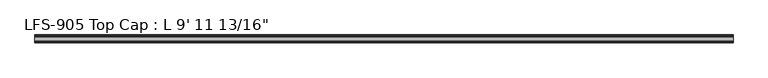
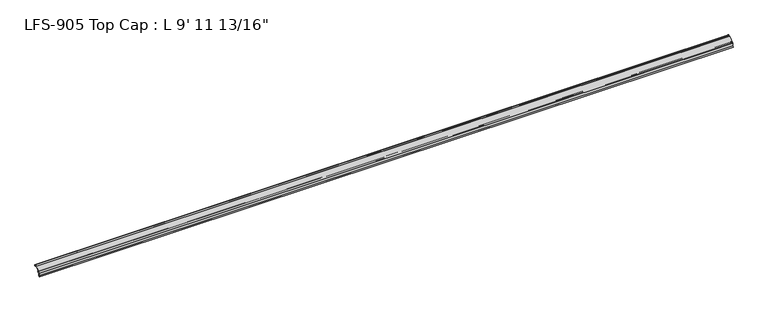
"""IFC4 building model written with IfcOpenShell, lengths in millimetres: proxy geometry."""

from ifc_helpers import new_model, si_unit, frame, origin, place, context, project, spatial, polyline, circle_curve, source, transform, mapped, element, save
from ifc_brep_helpers import plane_surface, cylinder_surface, revolved_surface, advanced_brep


def proxy_23267bd3(model_context):
    return source(origin(), model_context, "Body", "AdvancedBrep", [
        advanced_brep(
        [(3043.2375, -11.9842063, -4.7908498), (3043.2375, -11.285332, -4.0919755), (3043.2375, -10.4181218, -4.4511858), (3043.2375, -10.0845373, -5.4848681), (3043.2375, -8.8306218, -4.8356596), (3043.2375, -8.8306218, -2.8545037), (3043.2375, -6.319747, -2.2238726), (3043.2375, -6.162328, -3.1153995), (3043.2375, -4.5467242, -3.078236), (3043.2375, -6.0988312, -0.2880269), (3043.2375, -6.2733116, 0.9200448), (3043.2375, 6.6291755, 13.822532), (3043.2375, 7.7517076, 14.2875), (3043.2375, 12.2396814, 14.2875), (3043.2375, 12.7331269, 13.6587708), (3043.2375, 15.9234901, 10.1995675), (3043.2375, 16.9994388, 10.5588377), (3043.2375, 16.7818575, 12.1019757), (3043.2375, 15.8731607, 11.8349932), (3043.2375, 15.5626213, 14.2875), (3043.2375, 16.7406298, 14.2875), (3043.2375, 16.7406298, 15.875), (3043.2375, 15.7631892, 15.875), (3043.2375, 6.4365795, 15.875), (3043.2375, -14.0366743, -4.5982538), (3043.2375, -14.0366743, -15.7272521), (3043.2375, -17.4717033, -19.1622811), (3043.2375, -16.3491713, -20.2848131), (3043.2375, -12.4491743, -16.3848161), (3043.2375, -12.4491743, -5.9133818), (0.0, -11.9842063, -4.7908498), (0.0, -12.4491743, -5.9133818), (0.0, -12.4491743, -16.3848161), (0.0, -16.3491713, -20.2848131), (0.0, -17.4717033, -19.1622811), (0.0, -14.0366743, -15.7272521), (0.0, -14.0366743, -4.5982538), (0.0, 6.4365795, 15.875), (0.0, 15.7631892, 15.875), (0.0, 16.7406298, 15.875), (0.0, 16.7406298, 14.2875), (0.0, 15.5626213, 14.2875), (0.0, 15.8760106, 11.8365279), (0.0, 16.7818575, 12.1019757), (0.0, 16.9994388, 10.5588377), (0.0, 15.9234901, 10.1995675), (0.0, 12.7331269, 13.6587708), (0.0, 12.2396814, 14.2875), (0.0, 7.7517076, 14.2875), (0.0, 6.6291755, 13.822532), (0.0, -6.2733116, 0.9200448), (0.0, -6.0988312, -0.2880269), (0.0, -4.5467242, -3.078236), (0.0, -6.162328, -3.1153995), (0.0, -6.319747, -2.2238726), (0.0, -8.8306218, -2.8545037), (0.0, -8.8306218, -4.8356596), (0.0, -10.0845373, -5.4848681), (0.0, -10.4181218, -4.4511858), (0.0, -11.285332, -4.0919755)],
        [
            (0, 1),
            (1, 2, circle_curve(frame((3043.2375, -10.9261218, -4.4511858), z_axis=(-1.0, 0.0, 0.0), x_axis=(0.0, -1.0, 0.0)), 0.508)),
            (2, 3, circle_curve(frame((3043.2375, -9.2294466, -4.6382503), z_axis=(1.0, 0.0, 0.0), x_axis=(0.0, -1.0, 0.0)), 1.2033045)),
            (3, 4, circle_curve(frame((3043.2375, -9.6256418, -4.8356596), z_axis=(1.0, 0.0, 0.0), x_axis=(0.0, -1.0, 0.0)), 0.79502)),
            (4, 5),
            (5, 6, circle_curve(frame((3043.2375, -7.4959898, -2.8545037), z_axis=(-1.0, 0.0, 0.0), x_axis=(0.0, -1.0, 0.0)), 1.334632)),
            (6, 7, circle_curve(frame((3043.2375, -8.5533469, -3.077926), z_axis=(-1.0, 0.0, 0.0), x_axis=(0.0, -1.0, 0.0)), 2.3913126)),
            (7, 8, circle_curve(frame((3043.2375, -5.3538072, -3.1280712), z_axis=(1.0, 0.0, 0.0), x_axis=(0.0, -1.0, 0.0)), 0.8086201)),
            (8, 9, circle_curve(frame((3043.2375, -7.5911223, -2.9449413), z_axis=(1.0, 0.0, 0.0), x_axis=(0.0, -1.0, 0.0)), 3.0473147)),
            (9, 10, circle_curve(frame((3043.2375, -5.7344963, 0.3812295), z_axis=(-1.0, 0.0, 0.0), x_axis=(0.0, -1.0, 0.0)), 0.762)),
            (10, 11),
            (11, 12, circle_curve(frame((3043.2375, 7.7517076, 12.7), z_axis=(-1.0, 0.0, 0.0), x_axis=(0.0, -1.0, 0.0)), 1.5875)),
            (12, 13),
            (13, 14, circle_curve(frame((3043.2375, 12.2396814, 13.7795), z_axis=(-1.0, 0.0, 0.0), x_axis=(0.0, -1.0, 0.0)), 0.508)),
            (14, 15, circle_curve(frame((3043.2375, 15.4040561, 12.9213125), z_axis=(1.0, 0.0, 0.0), x_axis=(0.0, -1.0, 0.0)), 2.7708676)),
            (15, 16, circle_curve(frame((3043.2375, 15.1258233, 14.3792045), z_axis=(1.0, 0.0, 0.0), x_axis=(0.0, -1.0, 0.0)), 4.255072)),
            (16, 17, circle_curve(frame((3043.2375, 16.7408521, 11.3092856), z_axis=(1.0, 0.0, 0.0), x_axis=(0.0, -1.0, 0.0)), 0.79375)),
            (17, 18, circle_curve(frame((3043.2375, 16.957198, 9.8252866), z_axis=(1.0, 0.0, 0.0), x_axis=(0.0, -1.0, 0.0)), 2.2834311)),
            (18, 19, circle_curve(frame((3043.2375, 15.4821011, 13.0316829), z_axis=(-1.0, 0.0, 0.0), x_axis=(0.0, -1.0, 0.0)), 1.2583959)),
            (19, 20),
            (20, 21, circle_curve(frame((3043.2375, 16.7406298, 15.08125), z_axis=(1.0, 0.0, 0.0), x_axis=(0.0, -1.0, 0.0)), 0.79375)),
            (21, 22),
            (22, 23),
            (23, 24),
            (24, 25),
            (25, 26),
            (26, 27),
            (27, 28),
            (28, 29),
            (29, 0, circle_curve(frame((3043.2375, -10.8616743, -5.9133818), z_axis=(-1.0, 0.0, 0.0), x_axis=(0.0, -1.0, 0.0)), 1.5875)),
            (30, 31, circle_curve(frame((0.0, -10.8616743, -5.9133818), z_axis=(1.0, 0.0, 0.0), x_axis=(0.0, -1.0, 0.0)), 1.5875)),
            (31, 32),
            (32, 33),
            (33, 34),
            (34, 35),
            (35, 36),
            (36, 37),
            (37, 38),
            (38, 39),
            (39, 40, circle_curve(frame((0.0, 16.7406298, 15.08125), z_axis=(-1.0, 0.0, 0.0), x_axis=(0.0, -1.0, 0.0)), 0.79375)),
            (40, 41),
            (41, 42, circle_curve(frame((0.0, 15.4821011, 13.0316829), z_axis=(1.0, 0.0, 0.0), x_axis=(0.0, -1.0, 0.0)), 1.2583959)),
            (42, 43, circle_curve(frame((0.0, 16.957198, 9.8252866), z_axis=(-1.0, 0.0, 0.0), x_axis=(0.0, -1.0, 0.0)), 2.2834311)),
            (43, 44, circle_curve(frame((0.0, 16.7408521, 11.3092856), z_axis=(-1.0, 0.0, 0.0), x_axis=(0.0, -1.0, 0.0)), 0.79375)),
            (44, 45, circle_curve(frame((0.0, 15.1258233, 14.3792045), z_axis=(-1.0, 0.0, 0.0), x_axis=(0.0, -1.0, 0.0)), 4.255072)),
            (45, 46, circle_curve(frame((0.0, 15.4040561, 12.9213125), z_axis=(-1.0, 0.0, 0.0), x_axis=(0.0, -1.0, 0.0)), 2.7708676)),
            (46, 47, circle_curve(frame((0.0, 12.2396814, 13.7795), z_axis=(1.0, 0.0, 0.0), x_axis=(0.0, -1.0, 0.0)), 0.508)),
            (47, 48),
            (48, 49, circle_curve(frame((0.0, 7.7517076, 12.7), z_axis=(1.0, 0.0, 0.0), x_axis=(0.0, -1.0, 0.0)), 1.5875)),
            (49, 50),
            (50, 51, circle_curve(frame((0.0, -5.7344963, 0.3812295), z_axis=(1.0, 0.0, 0.0), x_axis=(0.0, -1.0, 0.0)), 0.762)),
            (51, 52, circle_curve(frame((0.0, -7.5911223, -2.9449413), z_axis=(-1.0, 0.0, 0.0), x_axis=(0.0, -1.0, 0.0)), 3.0473147)),
            (52, 53, circle_curve(frame((0.0, -5.3538072, -3.1280712), z_axis=(-1.0, 0.0, 0.0), x_axis=(0.0, -1.0, 0.0)), 0.8086201)),
            (53, 54, circle_curve(frame((0.0, -8.5533469, -3.077926), z_axis=(1.0, 0.0, 0.0), x_axis=(0.0, -1.0, 0.0)), 2.3913126)),
            (54, 55, circle_curve(frame((0.0, -7.4959898, -2.8545037), z_axis=(1.0, 0.0, 0.0), x_axis=(0.0, -1.0, 0.0)), 1.334632)),
            (55, 56),
            (56, 57, circle_curve(frame((0.0, -9.6256418, -4.8356596), z_axis=(-1.0, 0.0, 0.0), x_axis=(0.0, -1.0, 0.0)), 0.79502)),
            (57, 58, circle_curve(frame((0.0, -9.2294466, -4.6382503), z_axis=(-1.0, 0.0, 0.0), x_axis=(0.0, -1.0, 0.0)), 1.2033045)),
            (58, 59, circle_curve(frame((0.0, -10.9261218, -4.4511858), z_axis=(1.0, 0.0, 0.0), x_axis=(0.0, -1.0, 0.0)), 0.508)),
            (59, 30),
            (0, 30),
            (59, 1),
            (58, 2),
            (57, 3),
            (56, 4),
            (55, 5),
            (54, 6),
            (53, 7),
            (52, 8),
            (51, 9),
            (50, 10),
            (49, 11),
            (48, 12),
            (47, 13),
            (46, 14),
            (45, 15),
            (44, 16),
            (43, 17),
            (42, 18),
            (41, 19),
            (40, 20),
            (39, 21),
            (38, 22),
            (37, 23),
            (36, 24),
            (35, 25),
            (34, 26),
            (33, 27),
            (32, 28),
            (31, 29),
        ],
        [
            plane_surface(frame((3043.2375, -11.9842063, -4.7908498), z_axis=(1.0000000000000002, 0.0, 0.0), x_axis=(0.0, 0.7071067811854889, 0.7071067811876063))),
            plane_surface(frame((0.0, -11.9842063, -4.7908498), z_axis=(-1.0000000000000002, 0.0, 0.0), x_axis=(0.0, -0.7071067811854889, -0.7071067811876063))),
            plane_surface(frame((3043.2375, -11.9842063, -4.7908498), z_axis=(0.0, 0.7071067811876063, -0.7071067811854889), x_axis=(-1.0, 0.0, 0.0))),
            revolved_surface(polyline([(0.0, -11.4341218, -4.4511858), (3043.2375, -11.4341218, -4.4511858)]), (0.0, -10.9261218, -4.4511858), (-1.0, 0.0, 0.0)),
            cylinder_surface(frame((0.0, -9.2294466, -4.6382503), z_axis=(1.0, 0.0, 0.0), x_axis=(0.0, -1.0, 0.0)), 1.2033045),
            cylinder_surface(frame((0.0, -9.6256418, -4.8356596), z_axis=(1.0, 0.0, 0.0), x_axis=(0.0, -1.0, 0.0)), 0.79502),
            plane_surface(frame((3043.2375, -8.8306218, -4.8356596), z_axis=(0.0, 1.0, 0.0), x_axis=(-1.0, 0.0, 0.0))),
            revolved_surface(polyline([(0.0, -8.8306218, -2.8545037), (3043.2375, -8.8306218, -2.8545037)]), (0.0, -7.4959898, -2.8545037), (-1.0, 0.0, 0.0)),
            revolved_surface(polyline([(0.0, -10.9446595, -3.077926), (3043.2375, -10.9446595, -3.077926)]), (0.0, -8.5533469, -3.077926), (-1.0, 0.0, 0.0)),
            cylinder_surface(frame((0.0, -5.3538072, -3.1280712), z_axis=(1.0, 0.0, 0.0), x_axis=(0.0, -1.0, 0.0)), 0.8086201),
            cylinder_surface(frame((0.0, -7.5911223, -2.9449413), z_axis=(1.0, 0.0, 0.0), x_axis=(0.0, -1.0, 0.0)), 3.0473147),
            revolved_surface(polyline([(0.0, -6.4964963000000004, 0.3812295), (3043.2375, -6.4964963000000004, 0.3812295)]), (0.0, -5.7344963, 0.3812295), (-1.0, 0.0, 0.0)),
            plane_surface(frame((3043.2375, -6.2733116, 0.9200448), z_axis=(0.0, 0.7071067811865339, -0.7071067811865612), x_axis=(-1.0, 0.0, 0.0))),
            revolved_surface(polyline([(0.0, 6.164207599999999, 12.7), (3043.2375, 6.164207599999999, 12.7)]), (0.0, 7.7517076, 12.7), (-1.0, 0.0, 0.0)),
            plane_surface(frame((3043.2375, 7.7517076, 14.2875), z_axis=(0.0, 0.0, -1.0), x_axis=(-1.0, 0.0, 0.0))),
            revolved_surface(polyline([(0.0, 11.7316814, 13.7795), (3043.2375, 11.7316814, 13.7795)]), (0.0, 12.2396814, 13.7795), (-1.0, 0.0, 0.0)),
            cylinder_surface(frame((0.0, 15.4040561, 12.9213125), z_axis=(1.0, 0.0, 0.0), x_axis=(0.0, -1.0, 0.0)), 2.7708676),
            cylinder_surface(frame((0.0, 15.1258233, 14.3792045), z_axis=(1.0, 0.0, 0.0), x_axis=(0.0, -1.0, 0.0)), 4.255072),
            cylinder_surface(frame((0.0, 16.7408521, 11.3092856), z_axis=(1.0, 0.0, 0.0), x_axis=(0.0, -1.0, 0.0)), 0.79375),
            cylinder_surface(frame((0.0, 16.957198, 9.8252866), z_axis=(1.0, 0.0, 0.0), x_axis=(0.0, -1.0, 0.0)), 2.2834311),
            revolved_surface(polyline([(0.0, 14.2237052, 13.0316829), (3043.2375, 14.2237052, 13.0316829)]), (0.0, 15.4821011, 13.0316829), (-1.0, 0.0, 0.0)),
            plane_surface(frame((3043.2375, 15.5626213, 14.2875), z_axis=(0.0, 0.0, -1.0), x_axis=(-1.0, 0.0, 0.0))),
            cylinder_surface(frame((0.0, 16.7406298, 15.08125), z_axis=(1.0, 0.0, 0.0), x_axis=(0.0, -1.0, 0.0)), 0.79375),
            plane_surface(frame((3043.2375, 16.7406298, 15.875), z_axis=(0.0, 0.0, 1.0), x_axis=(-1.0, 0.0, 0.0))),
            plane_surface(frame((3043.2375, 15.7631892, 15.875), z_axis=(0.0, 0.0, 1.0), x_axis=(-1.0, 0.0, 0.0))),
            plane_surface(frame((3043.2375, 6.4365795, 15.875), z_axis=(0.0, -0.7071067811865581, 0.7071067811865369), x_axis=(-1.0, 0.0, 0.0))),
            plane_surface(frame((3043.2375, -14.0366743, -4.5982538), z_axis=(0.0, -1.0, 0.0), x_axis=(-1.0, 0.0, 0.0))),
            plane_surface(frame((3043.2375, -14.0366743, -15.7272521), z_axis=(0.0, -0.7071067811866965, 0.7071067811863986), x_axis=(-1.0, 0.0, 0.0))),
            plane_surface(frame((3043.2375, -17.4717033, -19.1622811), z_axis=(0.0, -0.7071067811868007, -0.7071067811862944), x_axis=(-1.0, 0.0, 0.0))),
            plane_surface(frame((3043.2375, -16.3491713, -20.2848131), z_axis=(0.0, 0.7071067811865882, -0.7071067811865068), x_axis=(-1.0, 0.0, 0.0))),
            plane_surface(frame((3043.2375, -12.4491743, -16.3848161), z_axis=(0.0, 1.0, 0.0), x_axis=(-1.0, 0.0, 0.0))),
            revolved_surface(polyline([(0.0, -12.449174300000001, -5.9133818), (3043.2375, -12.449174300000001, -5.9133818)]), (0.0, -10.8616743, -5.9133818), (-1.0, 0.0, 0.0)),
        ],
        [
            (0, [[1, 2, 3, 4, 5, 6, 7, 8, 9, 10, 11, 12, 13, 14, 15, 16, 17, 18, 19, 20, 21, 22, 23, 24, 25, 26, 27, 28, 29, 30]]),
            (1, [[31, 32, 33, 34, 35, 36, 37, 38, 39, 40, 41, 42, 43, 44, 45, 46, 47, 48, 49, 50, 51, 52, 53, 54, 55, 56, 57, 58, 59, 60]]),
            (2, [[-1, 61, -60, 62]]),
            (3, [[-2, -62, -59, 63]]),
            (4, [[-3, -63, -58, 64]]),
            (5, [[-4, -64, -57, 65]]),
            (6, [[-5, -65, -56, 66]]),
            (7, [[-6, -66, -55, 67]]),
            (8, [[-7, -67, -54, 68]]),
            (9, [[-8, -68, -53, 69]]),
            (10, [[-9, -69, -52, 70]]),
            (11, [[-10, -70, -51, 71]]),
            (12, [[-11, -71, -50, 72]]),
            (13, [[-12, -72, -49, 73]]),
            (14, [[-13, -73, -48, 74]]),
            (15, [[-14, -74, -47, 75]]),
            (16, [[-15, -75, -46, 76]]),
            (17, [[-16, -76, -45, 77]]),
            (18, [[-17, -77, -44, 78]]),
            (19, [[-18, -78, -43, 79]]),
            (20, [[-19, -79, -42, 80]]),
            (21, [[-20, -80, -41, 81]]),
            (22, [[-21, -81, -40, 82]]),
            (23, [[-22, -82, -39, 83]]),
            (24, [[-23, -83, -38, 84]]),
            (25, [[-24, -84, -37, 85]]),
            (26, [[-25, -85, -36, 86]]),
            (27, [[-26, -86, -35, 87]]),
            (28, [[-27, -87, -34, 88]]),
            (29, [[-28, -88, -33, 89]]),
            (30, [[-29, -89, -32, 90]]),
            (31, [[-30, -90, -31, -61]]),
        ],
    ),
    ])


if __name__ == "__main__":
    model = new_model("IFC4")
    model_context = context("Model", 3, world=origin())
    ifc_project = project(units=[si_unit("LENGTHUNIT", "METRE", prefix="MILLI")], contexts=[model_context])
    site = spatial("IfcSite", under=ifc_project)
    building = spatial("IfcBuilding", under=site)
    placement = place(None, origin())
    proxy_shape = proxy_23267bd3(model_context)
    element("IfcBuildingElementProxy", 1, Name="LFS-905 Top Cap : L 9' 11 13/16\"", ObjectType="LFS-905 Top Cap : L 9' 11 13/16\"", at=placement, inside=building, context=model_context, shape_type="MappedRepresentation", body=[
        mapped(proxy_shape, transform((0.0, 0.0, 0.0), x_axis=(1.0, 0.0, 0.0), y_axis=(0.0, 1.0, 0.0), z_axis=(0.0, 0.0, 1.0))),
    ])
    save(model, "model.ifc")
